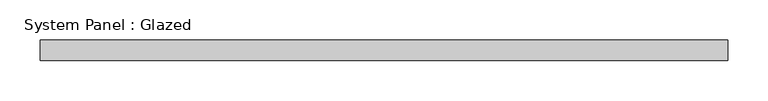
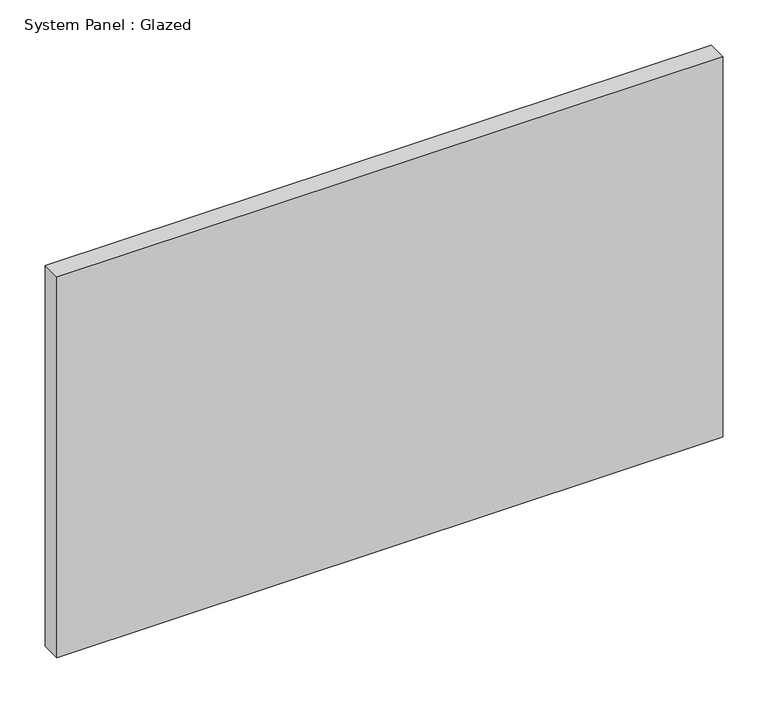
"""IFC4 building model written with IfcOpenShell, lengths in millimetres: plate geometry, System Panel : Glazed."""

import ifcopenshell
import ifcopenshell.guid

model = None  # the IFC model being written
_history = None  # IfcOwnerHistory: only IFC2X3 demands one
_inside = {}  # id of a spatial element -> (the spatial element, [elements in it])
_under = {}  # id of a project, library or spatial element -> (it, [spatial elements below it])
_declared = {}  # id of a project -> (the project, [libraries it declares])
_typed = {}  # id of a type object -> (the type object, [elements of that type])
_made_of = {}  # id of a material, layer set ... -> (it, [elements and type objects made of it])


def new_model(schema):
    """Start an empty IFC model of exactly this schema.

    Asked for "IFC4X3", IfcOpenShell would pick the latest addendum, in which some entities
    have other attributes; the version numbers below select the first issue.
    IFC2X3 requires an IfcOwnerHistory on every rooted entity: one is made here for all.
    """
    global model, _history
    if schema == "IFC4X3":
        model = ifcopenshell.file(schema_version=(4, 3, 0, 0))
    else:
        model = ifcopenshell.file(schema=schema)
    _inside.clear()
    _under.clear()
    _declared.clear()
    _typed.clear()
    _made_of.clear()
    _history = None
    if model.schema == "IFC2X3":
        org = make("IfcOrganization", Name="unknown")
        user = make(
            "IfcPersonAndOrganization",
            ThePerson=make("IfcPerson", FamilyName="unknown"),
            TheOrganization=org,
        )
        app = make(
            "IfcApplication",
            ApplicationDeveloper=org,
            Version="unknown",
            ApplicationFullName="unknown",
            ApplicationIdentifier="unknown",
        )
        _history = make(
            "IfcOwnerHistory",
            OwningUser=user,
            OwningApplication=app,
            ChangeAction="ADDED",
            CreationDate=0,
        )
    return model


def make(cls, **values):
    """One entity of the class cls with the attributes given. An attribute that is None is left unset."""
    return model.create_entity(
        cls, **{name: value for name, value in values.items() if value is not None}
    )


def rooted(cls, **values):
    """An entity with a GlobalId (a new one), such as an element, a storey or a relation."""
    return make(cls, GlobalId=ifcopenshell.guid.new(), OwnerHistory=_history, **values)


def si_unit(unit_type, name, prefix=None):
    """IfcSIUnit, for example si_unit("LENGTHUNIT", "METRE", prefix="MILLI")."""
    return make("IfcSIUnit", UnitType=unit_type, Prefix=prefix, Name=name)


def assignment(units):
    """IfcUnitAssignment: the units of a project."""
    return None if units is None else make("IfcUnitAssignment", Units=units)


def point(xyz):
    """IfcCartesianPoint."""
    return None if xyz is None else make("IfcCartesianPoint", Coordinates=xyz)


def direction(xyz):
    """IfcDirection."""
    return None if xyz is None else make("IfcDirection", DirectionRatios=xyz)


def frame(location, z_axis=None, x_axis=None):
    """IfcAxis2Placement3D, a coordinate frame: its origin and axes. An axis left out is left unset."""
    return make(
        "IfcAxis2Placement3D",
        Location=point(location),
        Axis=direction(z_axis),
        RefDirection=direction(x_axis),
    )


def origin():
    """The frame at (0, 0, 0) with its axes left unset."""
    return frame((0.0, 0.0, 0.0))


def origin_with_axes():
    """The frame at (0, 0, 0) with the z axis (0, 0, 1) and the x axis (1, 0, 0) written out."""
    return frame((0.0, 0.0, 0.0), z_axis=(0.0, 0.0, 1.0), x_axis=(1.0, 0.0, 0.0))


def place(relative_to, where):
    """IfcLocalPlacement: puts the frame where relative to a parent placement (None: the world)."""
    return make(
        "IfcLocalPlacement", PlacementRelTo=relative_to, RelativePlacement=where
    )


def context(
    kind, dimensions, precision=None, world=None, true_north=None, identifier=None
):
    """IfcGeometricRepresentationContext, for example the 3D "Model" context."""
    return make(
        "IfcGeometricRepresentationContext",
        ContextIdentifier=identifier,
        ContextType=kind,
        CoordinateSpaceDimension=dimensions,
        Precision=precision,
        WorldCoordinateSystem=world,
        TrueNorth=true_north,
    )


def project(units=None, contexts=None):
    """IfcProject with its units and contexts."""
    return rooted(
        "IfcProject",
        Name="project",
        RepresentationContexts=contexts,
        UnitsInContext=assignment(units),
    )


def spatial(cls, under=None, at=None, **own):
    """A site, building, storey or space (cls), placed at a placement, below another one or the project."""
    s = rooted(cls, ObjectPlacement=at, **own)
    if under is not None:
        _under.setdefault(under.id(), (under, []))[1].append(s)
    return s


def polyline(points):
    """IfcPolyline through the points."""
    return make("IfcPolyline", Points=[point(p) for p in points])


def outline(outer, holes=None, kind="AREA"):
    """IfcArbitraryClosedProfileDef: a profile drawn as a closed curve; with holes, ...WithVoids."""
    if holes is None:
        return make("IfcArbitraryClosedProfileDef", ProfileType=kind, OuterCurve=outer)
    return make(
        "IfcArbitraryProfileDefWithVoids",
        ProfileType=kind,
        OuterCurve=outer,
        InnerCurves=holes,
    )


def extrude(swept, where, along, depth):
    """IfcExtrudedAreaSolid: the profile swept, set in the frame where, extruded along a direction by depth."""
    return make(
        "IfcExtrudedAreaSolid",
        SweptArea=swept,
        Position=where,
        ExtrudedDirection=direction(along),
        Depth=depth,
    )


def shape(context_of_items, identifier, shape_type, items):
    """IfcShapeRepresentation: the items that make up one representation, for example the "Body"."""
    return make(
        "IfcShapeRepresentation",
        ContextOfItems=context_of_items,
        RepresentationIdentifier=identifier,
        RepresentationType=shape_type,
        Items=items,
    )


def source(mapping_origin, context_of_items, identifier, shape_type, items):
    """IfcRepresentationMap: a shape defined once, which mapped items show again and again."""
    return make(
        "IfcRepresentationMap",
        MappingOrigin=mapping_origin,
        MappedRepresentation=shape(context_of_items, identifier, shape_type, items),
    )


def transform(
    local_origin,
    x_axis=None,
    y_axis=None,
    z_axis=None,
    scale=None,
    scale2=None,
    scale3=None,
    uniform=True,
):
    """IfcCartesianTransformationOperator3D, or its non-uniform kind. x_axis, y_axis, z_axis: its Axis1, 2, 3."""
    if uniform:
        return make(
            "IfcCartesianTransformationOperator3D",
            Axis1=direction(x_axis),
            Axis2=direction(y_axis),
            LocalOrigin=point(local_origin),
            Scale=scale,
            Axis3=direction(z_axis),
        )
    return make(
        "IfcCartesianTransformationOperator3DnonUniform",
        Axis1=direction(x_axis),
        Axis2=direction(y_axis),
        LocalOrigin=point(local_origin),
        Scale=scale,
        Axis3=direction(z_axis),
        Scale2=scale2,
        Scale3=scale3,
    )


def mapped(mapping_source, mapping_target):
    """IfcMappedItem: shows the shape of a source again, moved by a transform."""
    return make(
        "IfcMappedItem", MappingSource=mapping_source, MappingTarget=mapping_target
    )


def made_of(thing, what):
    """Note that an element or type object is made of a material, layer set ...; save() writes the relation."""
    if what is not None:
        _made_of.setdefault(what.id(), (what, []))[1].append(thing)
    return thing


def element(
    cls,
    number,
    at=None,
    inside=None,
    cuts=None,
    type_object=None,
    material=None,
    context=None,
    identifier="Body",
    shape_type=None,
    held_by="IfcProductDefinitionShape",
    body=None,
    shapes=None,
    **own,
):
    """One element of the class cls, such as IfcWall. Its Tag is "e" and its number.

    at: its placement. inside: the storey or other place that contains it. cuts: it is an
    opening in that element (IfcRelVoidsElement). A single representation is given by context,
    identifier, shape_type and body (its items); several are given by shapes. held_by: the class
    of the entity that holds the representations. save() writes the other relations.
    """
    e = rooted(cls, Tag="e%d" % number, ObjectPlacement=at, **own)
    if body is not None:
        shapes = [shape(context, identifier, shape_type, body)]
    if shapes is not None:
        e.Representation = make(held_by, Representations=shapes)
    if inside is not None:
        _inside.setdefault(inside.id(), (inside, []))[1].append(e)
    if cuts is not None:
        rooted(
            "IfcRelVoidsElement", RelatingBuildingElement=cuts, RelatedOpeningElement=e
        )
    if type_object is not None:
        _typed.setdefault(type_object.id(), (type_object, []))[1].append(e)
    return made_of(e, material)


def aggregate(whole, parts):
    """IfcRelAggregates: a whole, such as a stair, and the parts it consists of."""
    return rooted("IfcRelAggregates", RelatingObject=whole, RelatedObjects=parts)


def save(model, path):
    """Write the relations noted so far, then the file.

    IfcRelAggregates (storeys below a building ...), IfcRelContainedInSpatialStructure (elements
    in a storey), IfcRelDefinesByType, IfcRelAssociatesMaterial and IfcRelDeclares: one each for
    every whole, place, type object, material and project.
    """
    for whole, parts in _under.values():
        aggregate(whole, parts)
    for where, things in _inside.values():
        rooted(
            "IfcRelContainedInSpatialStructure",
            RelatedElements=things,
            RelatingStructure=where,
        )
    for kind, things in _typed.values():
        rooted("IfcRelDefinesByType", RelatedObjects=things, RelatingType=kind)
    for what, things in _made_of.values():
        rooted("IfcRelAssociatesMaterial", RelatedObjects=things, RelatingMaterial=what)
    for by, libraries in _declared.values():
        rooted("IfcRelDeclares", RelatingContext=by, RelatedDefinitions=libraries)
    model.write(path)


def system_panel_glazed_0243fb8b(model_context):
    return source(origin(), model_context, "Body", "SweptSolid", [
        extrude(outline(polyline([(425.45, 19.05), (-425.45, 19.05), (-425.45, 44.45), (425.45, 44.45), (425.45, 19.05)])), origin_with_axes(), (0.0, 0.0, 1.0), 514.35),
    ])


if __name__ == "__main__":
    model = new_model("IFC4")
    model_context = context("Model", 3, world=origin())
    ifc_project = project(units=[si_unit("LENGTHUNIT", "METRE", prefix="MILLI")], contexts=[model_context])
    site = spatial("IfcSite", under=ifc_project)
    building = spatial("IfcBuilding", under=site)
    placement = place(None, origin())
    system_panel_glazed_shape = system_panel_glazed_0243fb8b(model_context)
    element("IfcPlate", 1, ObjectType="System Panel : Glazed", at=placement, inside=building, context=model_context, shape_type="MappedRepresentation", body=[
        mapped(system_panel_glazed_shape, transform((0.0, 0.0, 0.0), x_axis=(1.0, 0.0, 0.0), y_axis=(0.0, 1.0, 0.0), z_axis=(0.0, 0.0, 1.0))),
    ])
    save(model, "model.ifc")
